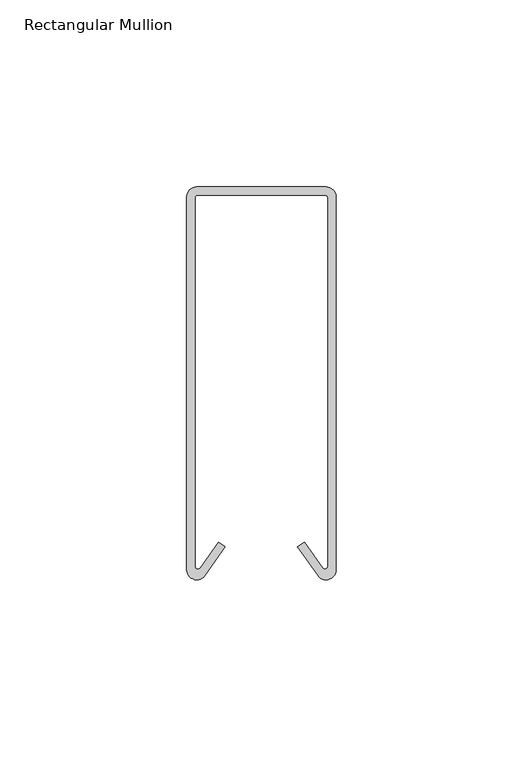
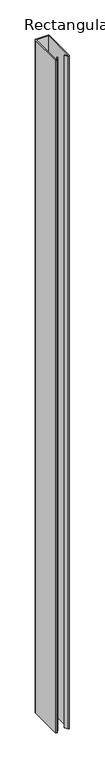
"""IFC4 building model written with IfcOpenShell, lengths in millimetres: member geometry, Rectangular Mullion."""

from ifc_helpers import new_model, si_unit, point, frame, frame_2d, origin, place, context, project, spatial, polyline, circle_curve, trimmed, segment, composite_curve, outline, extrude, source, transform, mapped, element, save


def rectangular_mullion_0a027ca6(model_context):
    return source(origin(), model_context, "Body", "SweptSolid", [
        extrude(outline(composite_curve([segment(polyline([(-17.3153076, 105.1114913), (17.3153076, 105.1114913)]), True, "CONTINUOUS"), segment(trimmed(circle_curve(frame_2d((17.3153076, 102.426799)), 2.6846924), [point((17.3153076, 105.1114913))], [point((20.0, 102.426799))], False, "CARTESIAN"), True, "CONTINUOUS"), segment(polyline([(20.0, 102.426799), (20.0, 2.703127)]), True, "CONTINUOUS"), segment(trimmed(circle_curve(frame_2d((17.2947667, 2.703127)), 2.7052333), [point((20.0, 2.703127))], [point((15.0787692, 1.1514689))], False, "CARTESIAN"), True, "CONTINUOUS"), segment(polyline([(15.0787692, 1.1514689), (9.722949, 8.8003728), (11.5250835, 10.062241), (16.3446784, 3.1791462)]), True, "CONTINUOUS"), segment(trimmed(circle_curve(frame_2d((17.0, 3.6380074)), 0.8), [point((16.3446784, 3.1791462))], [point((17.8, 3.6380074))], True, "CARTESIAN"), True, "CONTINUOUS"), segment(polyline([(17.8, 3.6380074), (17.8, 102.1114913)]), True, "CONTINUOUS"), segment(trimmed(circle_curve(frame_2d((17.0, 102.1114913)), 0.8), [point((17.8, 102.1114913))], [point((17.0, 102.9114913))], True, "CARTESIAN"), True, "CONTINUOUS"), segment(polyline([(17.0, 102.9114913), (-17.0, 102.9114913)]), True, "CONTINUOUS"), segment(trimmed(circle_curve(frame_2d((-17.0, 102.1114913)), 0.8), [point((-17.0, 102.9114913))], [point((-17.8, 102.1114913))], True, "CARTESIAN"), True, "CONTINUOUS"), segment(polyline([(-17.8, 102.1114913), (-17.8, 3.6380074)]), True, "CONTINUOUS"), segment(trimmed(circle_curve(frame_2d((-17.0, 3.6380074)), 0.8), [point((-17.8, 3.6380074))], [point((-16.3446784, 3.1791462))], True, "CARTESIAN"), True, "CONTINUOUS"), segment(polyline([(-16.3446784, 3.1791462), (-11.5250835, 10.062241), (-9.722949, 8.8003728), (-15.0787692, 1.1514689)]), True, "CONTINUOUS"), segment(trimmed(circle_curve(frame_2d((-17.2947667, 2.703127)), 2.7052333), [point((-15.0787692, 1.1514689))], [point((-20.0, 2.703127))], False, "CARTESIAN"), True, "CONTINUOUS"), segment(polyline([(-20.0, 2.703127), (-20.0, 102.426799)]), True, "CONTINUOUS"), segment(trimmed(circle_curve(frame_2d((-17.3153076, 102.426799)), 2.6846924), [point((-20.0, 102.426799))], [point((-17.3153076, 105.1114913))], False, "CARTESIAN"), True, "CONTINUOUS")], self_intersect=False)), frame((0.0, 0.0, -2053.0457138), z_axis=(0.0, 0.0, 1.0), x_axis=(1.0, 0.0, 0.0)), (0.0, 0.0, 1.0), 2053.0457138),
    ])


if __name__ == "__main__":
    model = new_model("IFC4")
    model_context = context("Model", 3, world=origin())
    ifc_project = project(units=[si_unit("LENGTHUNIT", "METRE", prefix="MILLI")], contexts=[model_context])
    site = spatial("IfcSite", under=ifc_project)
    building = spatial("IfcBuilding", under=site)
    placement = place(None, origin())
    rectangular_mullion_shape = rectangular_mullion_0a027ca6(model_context)
    element("IfcMember", 1, ObjectType="Rectangular Mullion", at=placement, inside=building, context=model_context, shape_type="MappedRepresentation", body=[
        mapped(rectangular_mullion_shape, transform((0.0, 0.0, 0.0), x_axis=(1.0, 0.0, 0.0), y_axis=(0.0, 1.0, 0.0), z_axis=(0.0, 0.0, 1.0))),
    ])
    save(model, "model.ifc")
